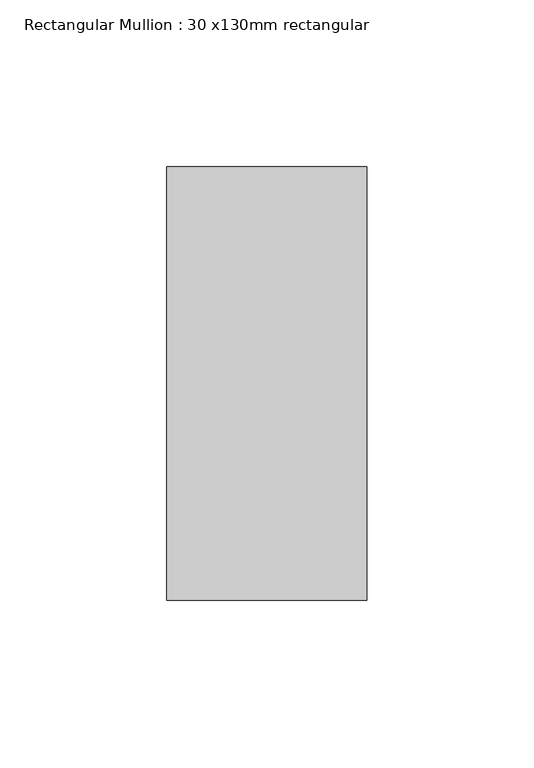
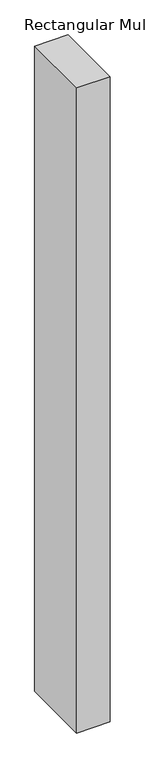
"""IFC4 building model written with IfcOpenShell, lengths in millimetres: member geometry, Rectangular Mullion : 30 x130mm rectangular."""

from ifc_helpers import new_model, si_unit, frame, origin, place, context, project, spatial, polyline, outline, extrude, source, transform, mapped, element, save


def rectangular_mullion_30_x130mm_rectangular_56e112e0(model_context):
    return source(origin(), model_context, "Body", "SweptSolid", [
        extrude(outline(polyline([(0.0, 65.0), (0.0, -65.0), (-60.0, -65.0), (-60.0, 65.0), (0.0, 65.0)])), frame((0.0, 0.0, -1220.0), z_axis=(0.0, 0.0, 1.0), x_axis=(1.0, 0.0, 0.0)), (0.0, 0.0, 1.0), 1220.0),
    ])


if __name__ == "__main__":
    model = new_model("IFC4")
    model_context = context("Model", 3, world=origin())
    ifc_project = project(units=[si_unit("LENGTHUNIT", "METRE", prefix="MILLI")], contexts=[model_context])
    site = spatial("IfcSite", under=ifc_project)
    building = spatial("IfcBuilding", under=site)
    placement = place(None, origin())
    rectangular_mullion_30_x130mm_rectangular_shape = rectangular_mullion_30_x130mm_rectangular_56e112e0(model_context)
    element("IfcMember", 1, ObjectType="Rectangular Mullion : 30 x130mm rectangular", at=placement, inside=building, context=model_context, shape_type="MappedRepresentation", body=[
        mapped(rectangular_mullion_30_x130mm_rectangular_shape, transform((0.0, 0.0, 0.0), x_axis=(1.0, 0.0, 0.0), y_axis=(0.0, 1.0, 0.0), z_axis=(0.0, 0.0, 1.0))),
    ])
    save(model, "model.ifc")
